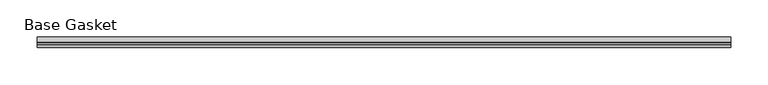
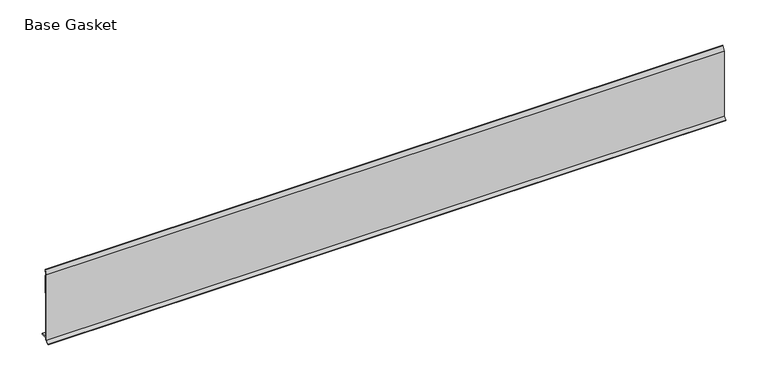
"""IFC4 building model written with IfcOpenShell, lengths in millimetres: furniture geometry, Base Gasket."""

from ifc_helpers import new_model, si_unit, frame, origin, place, context, project, spatial, polyline, outline, extrude, source, transform, mapped, element, save


def base_gasket_0dd4cf97(model_context):
    return source(origin(), model_context, "Body", "SweptSolid", [
        extrude(outline(polyline([(-3.7283812, 98.4568417), (-1.1891543, 104.587663), (-0.6755308, 105.2002997), (-0.6755308, 104.4162708), (-2.2043812, 98.4568417), (-2.2043812, 96.8693477), (-1.4106313, 96.8693477), (-1.4106313, 71.4693447), (-2.2043812, 71.4693447), (-2.2043812, 7.9398773), (6.2405171, 7.9398773), (6.2405171, 6.3818476), (-2.1334222, 6.3818476), (-2.2043812, 4.3498477), (-6.8281054, 0.3520979), (-7.8482342, 0.0), (-7.4222115, 0.6560174), (-3.7283812, 4.3498477), (-3.7283812, 98.4568417)])), frame((-1527.8982117, 0.0, 0.0), z_axis=(1.0, 0.0, 0.0), x_axis=(0.0, 1.0, 0.0)), (0.0, 0.0, 1.0), 927.1),
    ])


if __name__ == "__main__":
    model = new_model("IFC4")
    model_context = context("Model", 3, world=origin())
    ifc_project = project(units=[si_unit("LENGTHUNIT", "METRE", prefix="MILLI")], contexts=[model_context])
    site = spatial("IfcSite", under=ifc_project)
    building = spatial("IfcBuilding", under=site)
    placement = place(None, origin())
    base_gasket_shape = base_gasket_0dd4cf97(model_context)
    element("IfcFurniture", 1, ObjectType="Base Gasket", at=placement, inside=building, context=model_context, shape_type="MappedRepresentation", body=[
        mapped(base_gasket_shape, transform((0.0, 0.0, 0.0), x_axis=(1.0, 0.0, 0.0), y_axis=(0.0, 1.0, 0.0), z_axis=(0.0, 0.0, 1.0))),
    ])
    save(model, "model.ifc")
